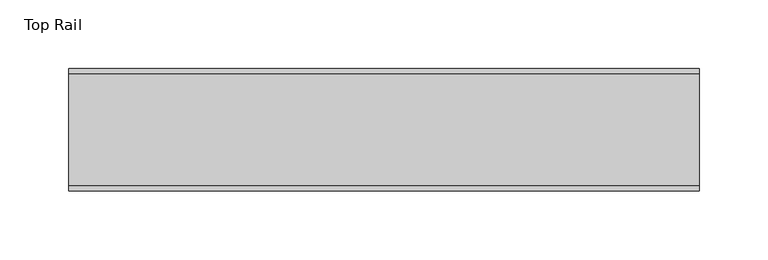
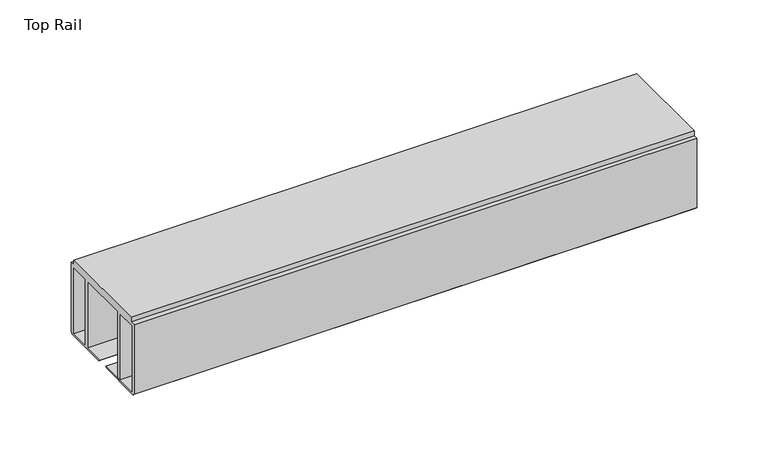
"""IFC4 building model written with IfcOpenShell, lengths in millimetres: furniture geometry, Top Rail."""

from ifc_helpers import new_model, si_unit, frame, origin, place, context, project, spatial, polyline, outline, extrude, source, transform, mapped, element, save


def top_rail_cd09f9f4(model_context):
    return source(origin(), model_context, "Body", "SweptSolid", [
        extrude(outline(polyline([(59.951805, -4.0000001), (59.951805, -63.5), (58.0797005, -65.0875), (39.033865, -65.0875), (38.1255324, -64.1791674), (37.2171998, -65.0875), (21.058055, -65.0875), (19.9129652, -63.9424102), (57.1518064, -63.9424102), (57.1518064, -6.6000002), (39.7518058, -6.6000002), (39.7518058, -63.5), (36.4518057, -63.5), (36.4518057, -6.6000002), (-5.4481956, -6.6000002), (-5.4481956, -63.5), (-8.7481957, -63.5), (-8.7481957, -6.6000002), (-26.1481963, -6.6000002), (-26.1481963, -63.9424102), (11.0906449, -63.9424102), (9.945555, -65.0875), (-6.2135897, -65.0875), (-7.1219223, -64.1791674), (-8.0302549, -65.0875), (-27.0760904, -65.0875), (-28.948195, -63.5), (-28.948195, -4.0000001), (-24.9481962, -4.0000001), (-24.9481962, 0.0), (55.9518063, 0.0), (55.9518063, -4.0000001), (59.951805, -4.0000001)])), frame((-198.6228469, 0.0, 0.0), z_axis=(1.0, 0.0, 0.0), x_axis=(0.0, 1.0, 0.0)), (0.0, 0.0, 1.0), 457.2),
    ])


if __name__ == "__main__":
    model = new_model("IFC4")
    model_context = context("Model", 3, world=origin())
    ifc_project = project(units=[si_unit("LENGTHUNIT", "METRE", prefix="MILLI")], contexts=[model_context])
    site = spatial("IfcSite", under=ifc_project)
    building = spatial("IfcBuilding", under=site)
    placement = place(None, origin())
    top_rail_shape = top_rail_cd09f9f4(model_context)
    element("IfcFurniture", 1, ObjectType="Top Rail", at=placement, inside=building, context=model_context, shape_type="MappedRepresentation", body=[
        mapped(top_rail_shape, transform((0.0, 0.0, 0.0), x_axis=(1.0, 0.0, 0.0), y_axis=(0.0, 1.0, 0.0), z_axis=(0.0, 0.0, 1.0))),
    ])
    save(model, "model.ifc")
